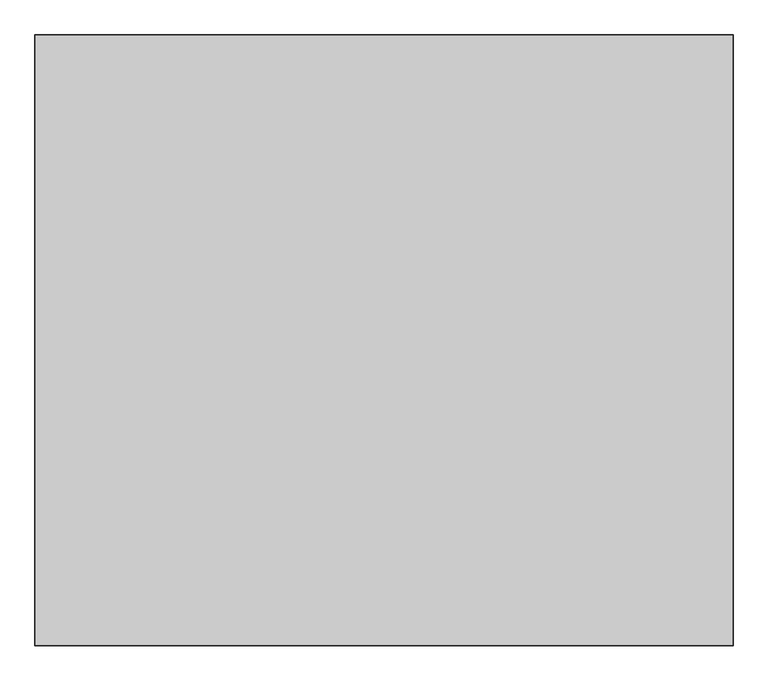
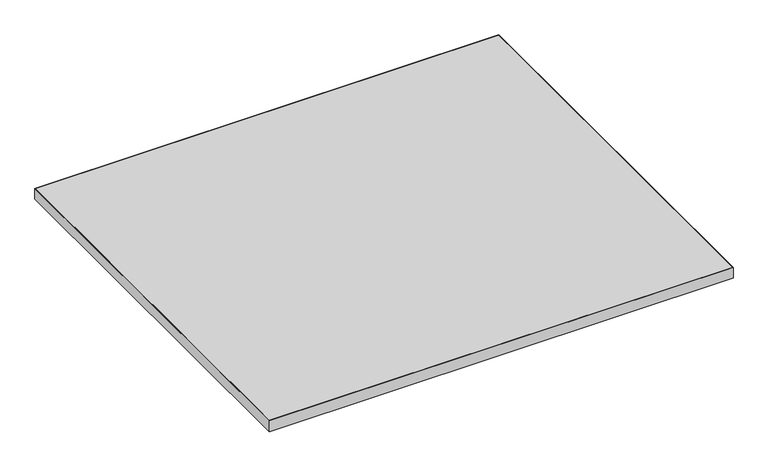
"""IFC4 building model written with IfcOpenShell, lengths in millimetres: furniture geometry."""

from ifc_helpers import new_model, si_unit, frame, origin, place, context, project, spatial, polyline, outline, extrude, source, transform, mapped, element, save


def furniture_6d00a673(model_context):
    return source(origin(), model_context, "Body", "SweptSolid", [
        extrude(outline(polyline([(1218.184, 1065.784), (1218.184, 1.016), (1.016, 1.016), (1.016, 1065.784), (1218.184, 1065.784)])), frame((0.0, 0.0, 697.2297529), z_axis=(0.0, 0.0, 1.0), x_axis=(1.0, 0.0, 0.0)), (0.0, 0.0, 1.0), 29.972),
        extrude(outline(polyline([(1219.2, 0.0), (0.0, 0.0), (0.0, 1066.8), (1219.2, 1066.8), (1219.2, 0.0)]), holes=[polyline([(1218.184, 1065.784), (1.016, 1065.784), (1.016, 1.016), (1218.184, 1.016), (1218.184, 1065.784)])]), frame((0.0, 0.0, 697.2297529), z_axis=(0.0, 0.0, 1.0), x_axis=(1.0, 0.0, 0.0)), (0.0, 0.0, 1.0), 29.972),
    ])


if __name__ == "__main__":
    model = new_model("IFC4")
    model_context = context("Model", 3, world=origin())
    ifc_project = project(units=[si_unit("LENGTHUNIT", "METRE", prefix="MILLI")], contexts=[model_context])
    site = spatial("IfcSite", under=ifc_project)
    building = spatial("IfcBuilding", under=site)
    placement = place(None, origin())
    furniture_shape = furniture_6d00a673(model_context)
    element("IfcFurniture", 1, at=placement, inside=building, context=model_context, shape_type="MappedRepresentation", body=[
        mapped(furniture_shape, transform((0.0, 0.0, 0.0), x_axis=(1.0, 0.0, 0.0), y_axis=(0.0, 1.0, 0.0), z_axis=(0.0, 0.0, 1.0))),
    ])
    save(model, "model.ifc")
